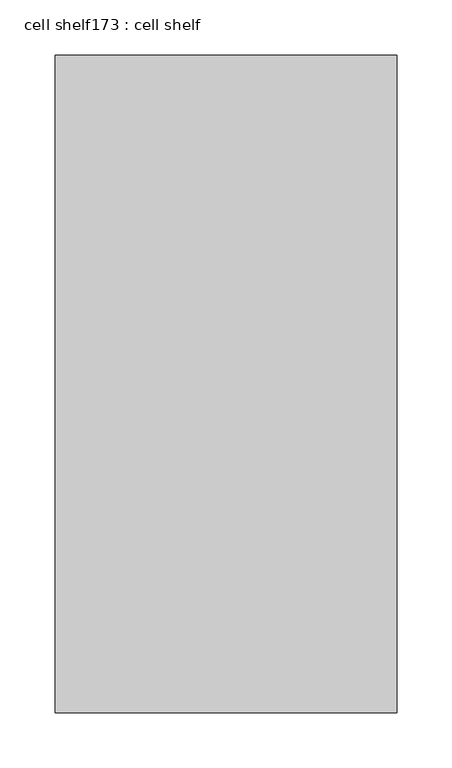
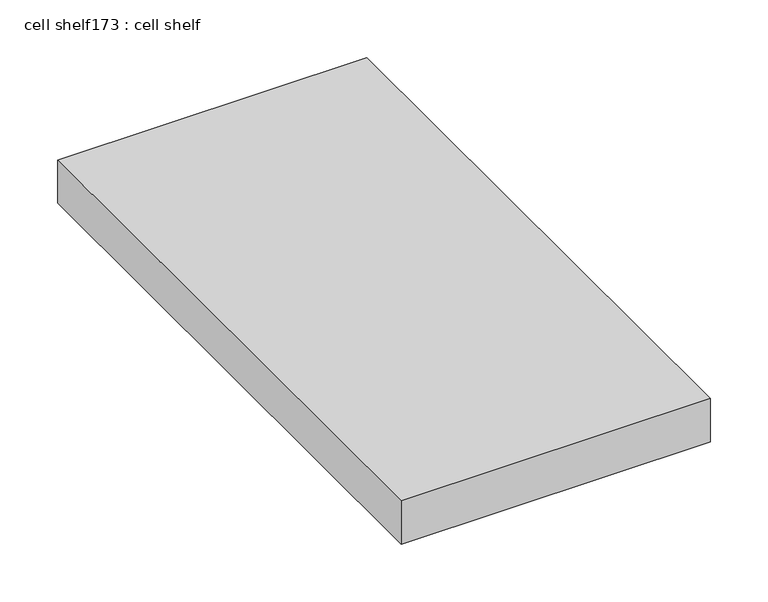
"""IFC4 building model written with IfcOpenShell, lengths in millimetres: proxy geometry, cell shelf173 : cell shelf."""

import ifcopenshell
import ifcopenshell.guid

model = None  # the IFC model being written
_history = None  # IfcOwnerHistory: only IFC2X3 demands one
_inside = {}  # id of a spatial element -> (the spatial element, [elements in it])
_under = {}  # id of a project, library or spatial element -> (it, [spatial elements below it])
_declared = {}  # id of a project -> (the project, [libraries it declares])
_typed = {}  # id of a type object -> (the type object, [elements of that type])
_made_of = {}  # id of a material, layer set ... -> (it, [elements and type objects made of it])


def new_model(schema):
    """Start an empty IFC model of exactly this schema.

    Asked for "IFC4X3", IfcOpenShell would pick the latest addendum, in which some entities
    have other attributes; the version numbers below select the first issue.
    IFC2X3 requires an IfcOwnerHistory on every rooted entity: one is made here for all.
    """
    global model, _history
    if schema == "IFC4X3":
        model = ifcopenshell.file(schema_version=(4, 3, 0, 0))
    else:
        model = ifcopenshell.file(schema=schema)
    _inside.clear()
    _under.clear()
    _declared.clear()
    _typed.clear()
    _made_of.clear()
    _history = None
    if model.schema == "IFC2X3":
        org = make("IfcOrganization", Name="unknown")
        user = make(
            "IfcPersonAndOrganization",
            ThePerson=make("IfcPerson", FamilyName="unknown"),
            TheOrganization=org,
        )
        app = make(
            "IfcApplication",
            ApplicationDeveloper=org,
            Version="unknown",
            ApplicationFullName="unknown",
            ApplicationIdentifier="unknown",
        )
        _history = make(
            "IfcOwnerHistory",
            OwningUser=user,
            OwningApplication=app,
            ChangeAction="ADDED",
            CreationDate=0,
        )
    return model


def make(cls, **values):
    """One entity of the class cls with the attributes given. An attribute that is None is left unset."""
    return model.create_entity(
        cls, **{name: value for name, value in values.items() if value is not None}
    )


def rooted(cls, **values):
    """An entity with a GlobalId (a new one), such as an element, a storey or a relation."""
    return make(cls, GlobalId=ifcopenshell.guid.new(), OwnerHistory=_history, **values)


def si_unit(unit_type, name, prefix=None):
    """IfcSIUnit, for example si_unit("LENGTHUNIT", "METRE", prefix="MILLI")."""
    return make("IfcSIUnit", UnitType=unit_type, Prefix=prefix, Name=name)


def assignment(units):
    """IfcUnitAssignment: the units of a project."""
    return None if units is None else make("IfcUnitAssignment", Units=units)


def point(xyz):
    """IfcCartesianPoint."""
    return None if xyz is None else make("IfcCartesianPoint", Coordinates=xyz)


def direction(xyz):
    """IfcDirection."""
    return None if xyz is None else make("IfcDirection", DirectionRatios=xyz)


def frame(location, z_axis=None, x_axis=None):
    """IfcAxis2Placement3D, a coordinate frame: its origin and axes. An axis left out is left unset."""
    return make(
        "IfcAxis2Placement3D",
        Location=point(location),
        Axis=direction(z_axis),
        RefDirection=direction(x_axis),
    )


def origin():
    """The frame at (0, 0, 0) with its axes left unset."""
    return frame((0.0, 0.0, 0.0))


def place(relative_to, where):
    """IfcLocalPlacement: puts the frame where relative to a parent placement (None: the world)."""
    return make(
        "IfcLocalPlacement", PlacementRelTo=relative_to, RelativePlacement=where
    )


def context(
    kind, dimensions, precision=None, world=None, true_north=None, identifier=None
):
    """IfcGeometricRepresentationContext, for example the 3D "Model" context."""
    return make(
        "IfcGeometricRepresentationContext",
        ContextIdentifier=identifier,
        ContextType=kind,
        CoordinateSpaceDimension=dimensions,
        Precision=precision,
        WorldCoordinateSystem=world,
        TrueNorth=true_north,
    )


def project(units=None, contexts=None):
    """IfcProject with its units and contexts."""
    return rooted(
        "IfcProject",
        Name="project",
        RepresentationContexts=contexts,
        UnitsInContext=assignment(units),
    )


def spatial(cls, under=None, at=None, **own):
    """A site, building, storey or space (cls), placed at a placement, below another one or the project."""
    s = rooted(cls, ObjectPlacement=at, **own)
    if under is not None:
        _under.setdefault(under.id(), (under, []))[1].append(s)
    return s


def polyline(points):
    """IfcPolyline through the points."""
    return make("IfcPolyline", Points=[point(p) for p in points])


def outline(outer, holes=None, kind="AREA"):
    """IfcArbitraryClosedProfileDef: a profile drawn as a closed curve; with holes, ...WithVoids."""
    if holes is None:
        return make("IfcArbitraryClosedProfileDef", ProfileType=kind, OuterCurve=outer)
    return make(
        "IfcArbitraryProfileDefWithVoids",
        ProfileType=kind,
        OuterCurve=outer,
        InnerCurves=holes,
    )


def extrude(swept, where, along, depth):
    """IfcExtrudedAreaSolid: the profile swept, set in the frame where, extruded along a direction by depth."""
    return make(
        "IfcExtrudedAreaSolid",
        SweptArea=swept,
        Position=where,
        ExtrudedDirection=direction(along),
        Depth=depth,
    )


def shape(context_of_items, identifier, shape_type, items):
    """IfcShapeRepresentation: the items that make up one representation, for example the "Body"."""
    return make(
        "IfcShapeRepresentation",
        ContextOfItems=context_of_items,
        RepresentationIdentifier=identifier,
        RepresentationType=shape_type,
        Items=items,
    )


def source(mapping_origin, context_of_items, identifier, shape_type, items):
    """IfcRepresentationMap: a shape defined once, which mapped items show again and again."""
    return make(
        "IfcRepresentationMap",
        MappingOrigin=mapping_origin,
        MappedRepresentation=shape(context_of_items, identifier, shape_type, items),
    )


def transform(
    local_origin,
    x_axis=None,
    y_axis=None,
    z_axis=None,
    scale=None,
    scale2=None,
    scale3=None,
    uniform=True,
):
    """IfcCartesianTransformationOperator3D, or its non-uniform kind. x_axis, y_axis, z_axis: its Axis1, 2, 3."""
    if uniform:
        return make(
            "IfcCartesianTransformationOperator3D",
            Axis1=direction(x_axis),
            Axis2=direction(y_axis),
            LocalOrigin=point(local_origin),
            Scale=scale,
            Axis3=direction(z_axis),
        )
    return make(
        "IfcCartesianTransformationOperator3DnonUniform",
        Axis1=direction(x_axis),
        Axis2=direction(y_axis),
        LocalOrigin=point(local_origin),
        Scale=scale,
        Axis3=direction(z_axis),
        Scale2=scale2,
        Scale3=scale3,
    )


def mapped(mapping_source, mapping_target):
    """IfcMappedItem: shows the shape of a source again, moved by a transform."""
    return make(
        "IfcMappedItem", MappingSource=mapping_source, MappingTarget=mapping_target
    )


def made_of(thing, what):
    """Note that an element or type object is made of a material, layer set ...; save() writes the relation."""
    if what is not None:
        _made_of.setdefault(what.id(), (what, []))[1].append(thing)
    return thing


def element(
    cls,
    number,
    at=None,
    inside=None,
    cuts=None,
    type_object=None,
    material=None,
    context=None,
    identifier="Body",
    shape_type=None,
    held_by="IfcProductDefinitionShape",
    body=None,
    shapes=None,
    **own,
):
    """One element of the class cls, such as IfcWall. Its Tag is "e" and its number.

    at: its placement. inside: the storey or other place that contains it. cuts: it is an
    opening in that element (IfcRelVoidsElement). A single representation is given by context,
    identifier, shape_type and body (its items); several are given by shapes. held_by: the class
    of the entity that holds the representations. save() writes the other relations.
    """
    e = rooted(cls, Tag="e%d" % number, ObjectPlacement=at, **own)
    if body is not None:
        shapes = [shape(context, identifier, shape_type, body)]
    if shapes is not None:
        e.Representation = make(held_by, Representations=shapes)
    if inside is not None:
        _inside.setdefault(inside.id(), (inside, []))[1].append(e)
    if cuts is not None:
        rooted(
            "IfcRelVoidsElement", RelatingBuildingElement=cuts, RelatedOpeningElement=e
        )
    if type_object is not None:
        _typed.setdefault(type_object.id(), (type_object, []))[1].append(e)
    return made_of(e, material)


def aggregate(whole, parts):
    """IfcRelAggregates: a whole, such as a stair, and the parts it consists of."""
    return rooted("IfcRelAggregates", RelatingObject=whole, RelatedObjects=parts)


def save(model, path):
    """Write the relations noted so far, then the file.

    IfcRelAggregates (storeys below a building ...), IfcRelContainedInSpatialStructure (elements
    in a storey), IfcRelDefinesByType, IfcRelAssociatesMaterial and IfcRelDeclares: one each for
    every whole, place, type object, material and project.
    """
    for whole, parts in _under.values():
        aggregate(whole, parts)
    for where, things in _inside.values():
        rooted(
            "IfcRelContainedInSpatialStructure",
            RelatedElements=things,
            RelatingStructure=where,
        )
    for kind, things in _typed.values():
        rooted("IfcRelDefinesByType", RelatedObjects=things, RelatingType=kind)
    for what, things in _made_of.values():
        rooted("IfcRelAssociatesMaterial", RelatedObjects=things, RelatingMaterial=what)
    for by, libraries in _declared.values():
        rooted("IfcRelDeclares", RelatingContext=by, RelatedDefinitions=libraries)
    model.write(path)


def cell_shelf173_cell_shelf_37b719f5(model_context):
    return source(origin(), model_context, "Body", "SweptSolid", [
        extrude(outline(polyline([(-240850.5451094, -44891.9553685), (-240850.5451094, -45487.0417641), (-241159.8929059, -45487.0417641), (-241159.8929059, -44891.9553685), (-240850.5451094, -44891.9553685)])), frame((0.0, 0.0, 1320.0941517), z_axis=(0.0, 0.0, 1.0), x_axis=(1.0, 0.0, 0.0)), (0.0, 0.0, 1.0), 45.8133004),
    ])


if __name__ == "__main__":
    model = new_model("IFC4")
    model_context = context("Model", 3, world=origin())
    ifc_project = project(units=[si_unit("LENGTHUNIT", "METRE", prefix="MILLI")], contexts=[model_context])
    site = spatial("IfcSite", under=ifc_project)
    building = spatial("IfcBuilding", under=site)
    placement = place(None, origin())
    cell_shelf173_cell_shelf_shape = cell_shelf173_cell_shelf_37b719f5(model_context)
    element("IfcBuildingElementProxy", 1, Name="cell shelf173 : cell shelf", ObjectType="cell shelf173 : cell shelf", at=placement, inside=building, context=model_context, shape_type="MappedRepresentation", body=[
        mapped(cell_shelf173_cell_shelf_shape, transform((0.0, 0.0, 0.0), x_axis=(1.0, 0.0, 0.0), y_axis=(0.0, 1.0, 0.0), z_axis=(0.0, 0.0, 1.0))),
    ])
    save(model, "model.ifc")
